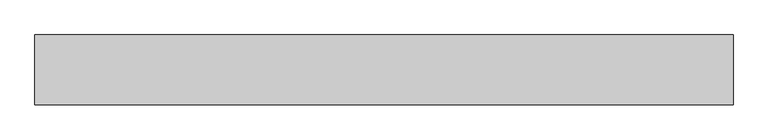
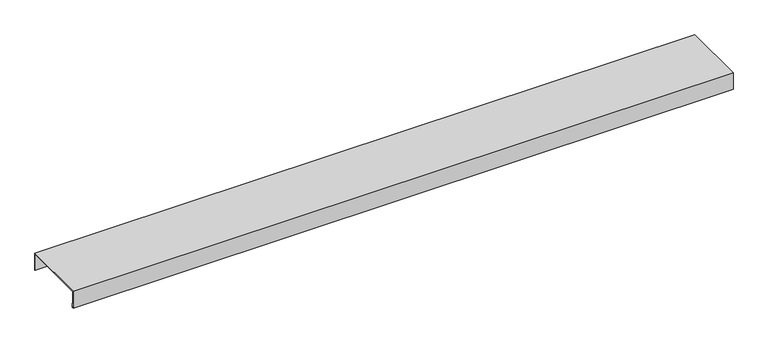
"""IFC4 building model written with IfcOpenShell, lengths in millimetres: proxy geometry."""

import ifcopenshell
import ifcopenshell.guid

model = None  # the IFC model being written
_history = None  # IfcOwnerHistory: only IFC2X3 demands one
_inside = {}  # id of a spatial element -> (the spatial element, [elements in it])
_under = {}  # id of a project, library or spatial element -> (it, [spatial elements below it])
_declared = {}  # id of a project -> (the project, [libraries it declares])
_typed = {}  # id of a type object -> (the type object, [elements of that type])
_made_of = {}  # id of a material, layer set ... -> (it, [elements and type objects made of it])


def new_model(schema):
    """Start an empty IFC model of exactly this schema.

    Asked for "IFC4X3", IfcOpenShell would pick the latest addendum, in which some entities
    have other attributes; the version numbers below select the first issue.
    IFC2X3 requires an IfcOwnerHistory on every rooted entity: one is made here for all.
    """
    global model, _history
    if schema == "IFC4X3":
        model = ifcopenshell.file(schema_version=(4, 3, 0, 0))
    else:
        model = ifcopenshell.file(schema=schema)
    _inside.clear()
    _under.clear()
    _declared.clear()
    _typed.clear()
    _made_of.clear()
    _history = None
    if model.schema == "IFC2X3":
        org = make("IfcOrganization", Name="unknown")
        user = make(
            "IfcPersonAndOrganization",
            ThePerson=make("IfcPerson", FamilyName="unknown"),
            TheOrganization=org,
        )
        app = make(
            "IfcApplication",
            ApplicationDeveloper=org,
            Version="unknown",
            ApplicationFullName="unknown",
            ApplicationIdentifier="unknown",
        )
        _history = make(
            "IfcOwnerHistory",
            OwningUser=user,
            OwningApplication=app,
            ChangeAction="ADDED",
            CreationDate=0,
        )
    return model


def make(cls, **values):
    """One entity of the class cls with the attributes given. An attribute that is None is left unset."""
    return model.create_entity(
        cls, **{name: value for name, value in values.items() if value is not None}
    )


def rooted(cls, **values):
    """An entity with a GlobalId (a new one), such as an element, a storey or a relation."""
    return make(cls, GlobalId=ifcopenshell.guid.new(), OwnerHistory=_history, **values)


def si_unit(unit_type, name, prefix=None):
    """IfcSIUnit, for example si_unit("LENGTHUNIT", "METRE", prefix="MILLI")."""
    return make("IfcSIUnit", UnitType=unit_type, Prefix=prefix, Name=name)


def assignment(units):
    """IfcUnitAssignment: the units of a project."""
    return None if units is None else make("IfcUnitAssignment", Units=units)


def point(xyz):
    """IfcCartesianPoint."""
    return None if xyz is None else make("IfcCartesianPoint", Coordinates=xyz)


def direction(xyz):
    """IfcDirection."""
    return None if xyz is None else make("IfcDirection", DirectionRatios=xyz)


def frame(location, z_axis=None, x_axis=None):
    """IfcAxis2Placement3D, a coordinate frame: its origin and axes. An axis left out is left unset."""
    return make(
        "IfcAxis2Placement3D",
        Location=point(location),
        Axis=direction(z_axis),
        RefDirection=direction(x_axis),
    )


def origin():
    """The frame at (0, 0, 0) with its axes left unset."""
    return frame((0.0, 0.0, 0.0))


def place(relative_to, where):
    """IfcLocalPlacement: puts the frame where relative to a parent placement (None: the world)."""
    return make(
        "IfcLocalPlacement", PlacementRelTo=relative_to, RelativePlacement=where
    )


def context(
    kind, dimensions, precision=None, world=None, true_north=None, identifier=None
):
    """IfcGeometricRepresentationContext, for example the 3D "Model" context."""
    return make(
        "IfcGeometricRepresentationContext",
        ContextIdentifier=identifier,
        ContextType=kind,
        CoordinateSpaceDimension=dimensions,
        Precision=precision,
        WorldCoordinateSystem=world,
        TrueNorth=true_north,
    )


def project(units=None, contexts=None):
    """IfcProject with its units and contexts."""
    return rooted(
        "IfcProject",
        Name="project",
        RepresentationContexts=contexts,
        UnitsInContext=assignment(units),
    )


def spatial(cls, under=None, at=None, **own):
    """A site, building, storey or space (cls), placed at a placement, below another one or the project."""
    s = rooted(cls, ObjectPlacement=at, **own)
    if under is not None:
        _under.setdefault(under.id(), (under, []))[1].append(s)
    return s


def faces_of(points, faces, orient=None, outer=None):
    """IfcFace entities. A face is a list of loops; a loop is a list of indices into points, from 0.

    orient and outer hold one flag for each loop. By default every Orientation is true, the
    first loop of a face is its IfcFaceOuterBound and the others are IfcFaceBound.
    """
    made = []
    for i, loops in enumerate(faces):
        bounds = []
        for j, loop in enumerate(loops):
            is_outer = j == 0 if outer is None else outer[i][j]
            bounds.append(
                make(
                    "IfcFaceOuterBound" if is_outer else "IfcFaceBound",
                    Bound=make("IfcPolyLoop", Polygon=[points[k] for k in loop]),
                    Orientation=True if orient is None else orient[i][j],
                )
            )
        made.append(make("IfcFace", Bounds=bounds))
    return made


def faceted_brep(points, faces, orient=None, outer=None, voids=None):
    """IfcFacetedBrep: a solid bounded by flat faces; with voids (closed shells), ...WithVoids."""
    shared = [point(p) for p in points]
    hull = make("IfcClosedShell", CfsFaces=faces_of(shared, faces, orient, outer))
    if voids is None:
        return make("IfcFacetedBrep", Outer=hull)
    return make(
        "IfcFacetedBrepWithVoids",
        Outer=hull,
        Voids=[
            make(cls, CfsFaces=faces_of(shared, fs, o, b)) for cls, fs, o, b in voids
        ],
    )


def shape(context_of_items, identifier, shape_type, items):
    """IfcShapeRepresentation: the items that make up one representation, for example the "Body"."""
    return make(
        "IfcShapeRepresentation",
        ContextOfItems=context_of_items,
        RepresentationIdentifier=identifier,
        RepresentationType=shape_type,
        Items=items,
    )


def source(mapping_origin, context_of_items, identifier, shape_type, items):
    """IfcRepresentationMap: a shape defined once, which mapped items show again and again."""
    return make(
        "IfcRepresentationMap",
        MappingOrigin=mapping_origin,
        MappedRepresentation=shape(context_of_items, identifier, shape_type, items),
    )


def transform(
    local_origin,
    x_axis=None,
    y_axis=None,
    z_axis=None,
    scale=None,
    scale2=None,
    scale3=None,
    uniform=True,
):
    """IfcCartesianTransformationOperator3D, or its non-uniform kind. x_axis, y_axis, z_axis: its Axis1, 2, 3."""
    if uniform:
        return make(
            "IfcCartesianTransformationOperator3D",
            Axis1=direction(x_axis),
            Axis2=direction(y_axis),
            LocalOrigin=point(local_origin),
            Scale=scale,
            Axis3=direction(z_axis),
        )
    return make(
        "IfcCartesianTransformationOperator3DnonUniform",
        Axis1=direction(x_axis),
        Axis2=direction(y_axis),
        LocalOrigin=point(local_origin),
        Scale=scale,
        Axis3=direction(z_axis),
        Scale2=scale2,
        Scale3=scale3,
    )


def mapped(mapping_source, mapping_target):
    """IfcMappedItem: shows the shape of a source again, moved by a transform."""
    return make(
        "IfcMappedItem", MappingSource=mapping_source, MappingTarget=mapping_target
    )


def made_of(thing, what):
    """Note that an element or type object is made of a material, layer set ...; save() writes the relation."""
    if what is not None:
        _made_of.setdefault(what.id(), (what, []))[1].append(thing)
    return thing


def element(
    cls,
    number,
    at=None,
    inside=None,
    cuts=None,
    type_object=None,
    material=None,
    context=None,
    identifier="Body",
    shape_type=None,
    held_by="IfcProductDefinitionShape",
    body=None,
    shapes=None,
    **own,
):
    """One element of the class cls, such as IfcWall. Its Tag is "e" and its number.

    at: its placement. inside: the storey or other place that contains it. cuts: it is an
    opening in that element (IfcRelVoidsElement). A single representation is given by context,
    identifier, shape_type and body (its items); several are given by shapes. held_by: the class
    of the entity that holds the representations. save() writes the other relations.
    """
    e = rooted(cls, Tag="e%d" % number, ObjectPlacement=at, **own)
    if body is not None:
        shapes = [shape(context, identifier, shape_type, body)]
    if shapes is not None:
        e.Representation = make(held_by, Representations=shapes)
    if inside is not None:
        _inside.setdefault(inside.id(), (inside, []))[1].append(e)
    if cuts is not None:
        rooted(
            "IfcRelVoidsElement", RelatingBuildingElement=cuts, RelatedOpeningElement=e
        )
    if type_object is not None:
        _typed.setdefault(type_object.id(), (type_object, []))[1].append(e)
    return made_of(e, material)


def aggregate(whole, parts):
    """IfcRelAggregates: a whole, such as a stair, and the parts it consists of."""
    return rooted("IfcRelAggregates", RelatingObject=whole, RelatedObjects=parts)


def save(model, path):
    """Write the relations noted so far, then the file.

    IfcRelAggregates (storeys below a building ...), IfcRelContainedInSpatialStructure (elements
    in a storey), IfcRelDefinesByType, IfcRelAssociatesMaterial and IfcRelDeclares: one each for
    every whole, place, type object, material and project.
    """
    for whole, parts in _under.values():
        aggregate(whole, parts)
    for where, things in _inside.values():
        rooted(
            "IfcRelContainedInSpatialStructure",
            RelatedElements=things,
            RelatingStructure=where,
        )
    for kind, things in _typed.values():
        rooted("IfcRelDefinesByType", RelatedObjects=things, RelatingType=kind)
    for what, things in _made_of.values():
        rooted("IfcRelAssociatesMaterial", RelatedObjects=things, RelatingMaterial=what)
    for by, libraries in _declared.values():
        rooted("IfcRelDeclares", RelatingContext=by, RelatedDefinitions=libraries)
    model.write(path)


def generic_models_431d713f(model_context):
    return source(origin(), model_context, "Body", "Brep", [
        faceted_brep([(0.0, 145.0, 2.0), (0.0, -5.0, 2.0), (1500.0, -5.0, 2.0), (1500.0, 145.0, 2.0), (0.0, 144.0, 1.0), (0.0, 144.0, 0.0), (0.0, 144.0, -38.0), (1500.0, 144.0, -38.0), (1500.0, 144.0, 0.0), (1500.0, 144.0, 1.0), (0.0, 145.0, 0.0), (1500.0, 145.0, 0.0), (1500.0, 145.0, -38.0), (0.0, 145.0, -38.0), (0.0, -4.0, 1.0), (1500.0, -4.0, 1.0), (0.0, -4.0, 0.0), (1500.0, -4.0, 0.0), (1500.0, -4.0, -37.0), (0.0, -4.0, -37.0), (0.0, -3.0, -37.0), (1500.0, -3.0, -37.0), (0.0, -3.0, -28.0), (1500.0, -3.0, -28.0), (0.0, -2.0, -28.0), (1500.0, -2.0, -28.0), (0.0, -2.0, -38.0), (1500.0, -2.0, -38.0), (0.0, -5.0, -38.0), (1500.0, -5.0, -38.0), (0.0, -5.0, 0.0), (1500.0, -5.0, 0.0)], [[[0, 1, 2, 3]], [[4, 5, 6, 7, 8, 9]], [[10, 0, 3, 11, 12, 13]], [[14, 4, 9, 15]], [[16, 14, 15, 17, 18, 19]], [[20, 19, 18, 21]], [[22, 20, 21, 23]], [[24, 22, 23, 25]], [[26, 24, 25, 27]], [[28, 26, 27, 29]], [[1, 30, 28, 29, 31, 2]], [[10, 5, 4, 14, 16, 30, 1, 0]], [[5, 10, 13, 6]], [[30, 16, 19, 20, 22, 24, 26, 28]], [[8, 11, 3, 2, 31, 17, 15, 9]], [[11, 8, 7, 12]], [[17, 31, 29, 27, 25, 23, 21, 18]], [[6, 13, 12, 7]]]),
    ])


if __name__ == "__main__":
    model = new_model("IFC4")
    model_context = context("Model", 3, world=origin())
    ifc_project = project(units=[si_unit("LENGTHUNIT", "METRE", prefix="MILLI")], contexts=[model_context])
    site = spatial("IfcSite", under=ifc_project)
    building = spatial("IfcBuilding", under=site)
    placement = place(None, origin())
    generic_models_shape = generic_models_431d713f(model_context)
    element("IfcBuildingElementProxy", 1, Name="Generic Models", at=placement, inside=building, context=model_context, shape_type="MappedRepresentation", body=[
        mapped(generic_models_shape, transform((0.0, 0.0, 0.0), x_axis=(1.0, 0.0, 0.0), y_axis=(0.0, 1.0, 0.0), z_axis=(0.0, 0.0, 1.0))),
    ])
    save(model, "model.ifc")
